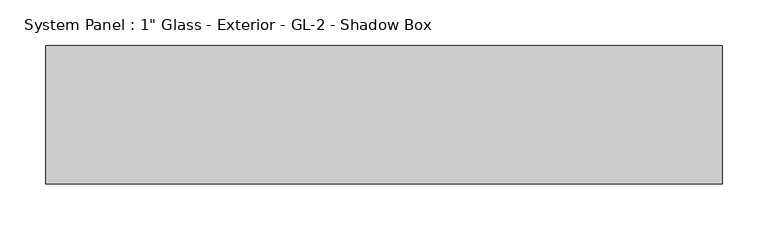
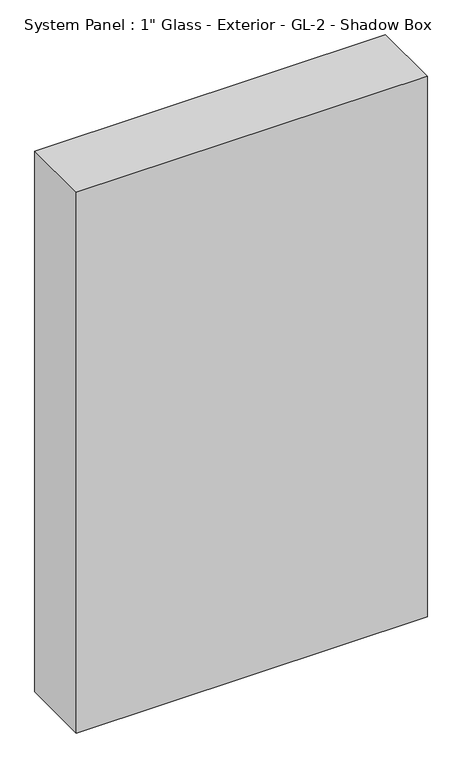
"""IFC4 building model written with IfcOpenShell, lengths in millimetres: plate geometry."""

from ifc_helpers import new_model, si_unit, origin, origin_with_axes, place, context, project, spatial, polyline, outline, extrude, source, transform, mapped, element, save


def plate_23171f9a(model_context):
    return source(origin(), model_context, "Body", "SweptSolid", [
        extrude(outline(polyline([(371.475, 0.0), (-371.475, 0.0), (-371.475, 152.4), (371.475, 152.4), (371.475, 0.0)])), origin_with_axes(), (0.0, 0.0, 1.0), 1209.675),
    ])


if __name__ == "__main__":
    model = new_model("IFC4")
    model_context = context("Model", 3, world=origin())
    ifc_project = project(units=[si_unit("LENGTHUNIT", "METRE", prefix="MILLI")], contexts=[model_context])
    site = spatial("IfcSite", under=ifc_project)
    building = spatial("IfcBuilding", under=site)
    placement = place(None, origin())
    plate_shape = plate_23171f9a(model_context)
    element("IfcPlate", 1, ObjectType="System Panel : 1\" Glass - Exterior - GL-2 - Shadow Box", at=placement, inside=building, context=model_context, shape_type="MappedRepresentation", body=[
        mapped(plate_shape, transform((0.0, 0.0, 0.0), x_axis=(1.0, 0.0, 0.0), y_axis=(0.0, 1.0, 0.0), z_axis=(0.0, 0.0, 1.0))),
    ])
    save(model, "model.ifc")
